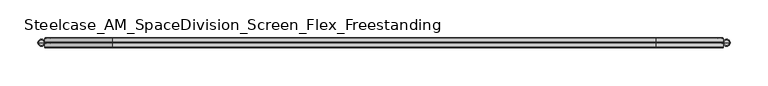
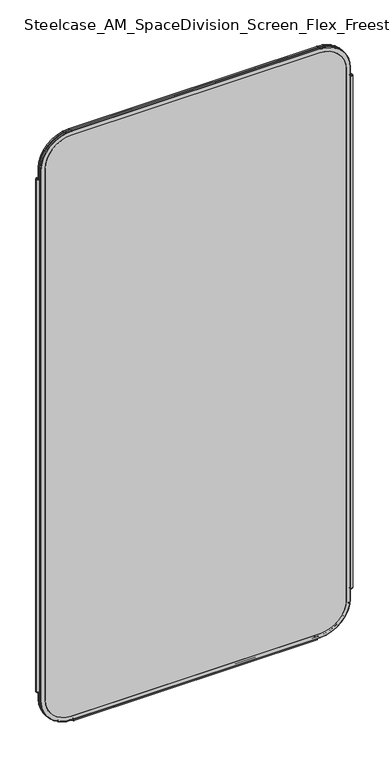
"""IFC4 building model written with IfcOpenShell, lengths in millimetres: furniture geometry, Steelcase_AM_SpaceDivision_Screen_Flex_Freestanding."""

from ifc_helpers import new_model, si_unit, point, frame, frame_2d, origin, place, context, project, spatial, polyline, circle_curve, ellipse_curve, trimmed, segment, composite_curve, outline, extrude, source, transform, mapped, element, save
from ifc_brep_helpers import plane_surface, cylinder_surface, revolved_surface, advanced_brep


def steelcase_am_spacedivision_screen_flex_freestanding_69d37450(model_context):
    return source(origin(), model_context, "Body", "SolidModel", [
        advanced_brep(
        [(913.13, 0.0, 1687.83), (906.5294661, 0.0, 1687.83), (909.829733, 0.0, 1687.83), (914.4, 0.0, 1686.56), (905.2594661, 0.0, 1686.56), (914.4, 0.0, 121.92), (905.2594661, 0.0, 121.92), (913.13, 0.0, 120.65), (906.5294661, 0.0, 120.65), (909.829733, 0.0, 120.65)],
        [
            (0, 1, circle_curve(frame((909.829733, 0.0, 1687.83), z_axis=(0.0, 0.0, 1.0), x_axis=(-1.0, 0.0, 0.0)), 3.300267)),
            (1, 2),
            (2, 0),
            (1, 0, circle_curve(frame((909.829733, 0.0, 1687.83), z_axis=(0.0, 0.0, 1.0), x_axis=(-1.0, 0.0, 0.0)), 3.300267)),
            (3, 4, circle_curve(frame((909.829733, 0.0, 1686.56), z_axis=(0.0, 0.0, 1.0), x_axis=(-1.0, 0.0, 0.0)), 4.570267)),
            (4, 1, circle_curve(frame((906.5294661, 0.0, 1686.56), z_axis=(0.0, 1.0, 0.0), x_axis=(1.0, 0.0, 0.0)), 1.27)),
            (0, 3, circle_curve(frame((913.13, 0.0, 1686.56), z_axis=(0.0, 1.0, 0.0), x_axis=(-1.0, 0.0, 0.0)), 1.27)),
            (4, 3, circle_curve(frame((909.829733, 0.0, 1686.56), z_axis=(0.0, 0.0, 1.0), x_axis=(-1.0, 0.0, 0.0)), 4.570267)),
            (5, 6, circle_curve(frame((909.829733, 0.0, 121.92), z_axis=(0.0, 0.0, 1.0), x_axis=(-1.0, 0.0, 0.0)), 4.570267)),
            (6, 4),
            (3, 5),
            (6, 5, circle_curve(frame((909.829733, 0.0, 121.92), z_axis=(0.0, 0.0, 1.0), x_axis=(-1.0, 0.0, 0.0)), 4.570267)),
            (7, 8, circle_curve(frame((909.829733, 0.0, 120.65), z_axis=(0.0, 0.0, 1.0), x_axis=(-1.0, 0.0, 0.0)), 3.300267)),
            (8, 6, circle_curve(frame((906.5294661, 0.0, 121.92), z_axis=(0.0, 1.0, 0.0), x_axis=(1.0, 0.0, 0.0)), 1.27)),
            (5, 7, circle_curve(frame((913.13, 0.0, 121.92), z_axis=(0.0, 1.0, 0.0), x_axis=(-1.0, 0.0, 0.0)), 1.27)),
            (8, 7, circle_curve(frame((909.829733, 0.0, 120.65), z_axis=(0.0, 0.0, 1.0), x_axis=(-1.0, 0.0, 0.0)), 3.300267)),
            (9, 8),
            (7, 9),
        ],
        [
            plane_surface(frame((909.829733, 0.0, 1687.83), z_axis=(0.0, 0.0, 1.0), x_axis=(-1.0, 0.0, 0.0))),
            revolved_surface(trimmed(ellipse_curve(frame((906.5294661, 0.0, 1686.56), z_axis=(0.0, -1.0, 0.0), x_axis=(1.0, 0.0, 0.0)), 1.27, 1.27), [point((906.5294661, 0.0, 1687.83))], [point((905.2594661, 0.0, 1686.56))], True, "CARTESIAN"), (909.829733, 0.0, 112.3021634), (0.0, 0.0, -1.0)),
            cylinder_surface(frame((909.829733, 0.0, 112.3021634), z_axis=(0.0, 0.0, -1.0), x_axis=(-1.0, 0.0, 0.0)), 4.570267),
            revolved_surface(trimmed(ellipse_curve(frame((906.5294661, 0.0, 121.92), z_axis=(0.0, -1.0, 0.0), x_axis=(1.0, 0.0, 0.0)), 1.27, 1.27), [point((905.2594661, 0.0, 121.92))], [point((906.5294661, 0.0, 120.65))], True, "CARTESIAN"), (909.829733, 0.0, 112.3021634), (0.0, 0.0, -1.0)),
            plane_surface(frame((909.829733, 0.0, 120.65), z_axis=(0.0, 0.0, -1.0), x_axis=(-1.0, 0.0, 0.0))),
        ],
        [
            (0, [[1, 2, 3]]),
            (0, [[4, -3, -2]]),
            (1, [[5, 6, -1, 7]]),
            (1, [[8, -7, -4, -6]]),
            (2, [[9, 10, -5, 11]]),
            (2, [[12, -11, -8, -10]]),
            (3, [[13, 14, -9, 15]]),
            (3, [[16, -15, -12, -14]]),
            (4, [[17, -13, 18]]),
            (4, [[-18, -16, -17]]),
        ],
    ),
        advanced_brep(
        [(7.9329041, 0.0, 120.65), (1.232448, 0.0, 120.65), (0.0, 0.0, 121.882448), (9.1653521, 0.0, 121.882448), (4.582676, 0.0, 120.65), (7.8953521, 0.0, 1687.83), (1.27, 0.0, 1687.83), (4.582676, 0.0, 1687.83), (9.1653521, 0.0, 1686.56), (0.0, 0.0, 1686.56)],
        [
            (0, 1, circle_curve(frame((4.582676, 0.0, 120.65), z_axis=(0.0, 0.0, 1.0), x_axis=(-1.0, 0.0, 0.0)), 3.3502281)),
            (1, 2, circle_curve(frame((1.232448, 0.0, 121.882448), z_axis=(0.0, 1.0, 0.0), x_axis=(1.0, 0.0, 0.0)), 1.232448)),
            (2, 3, circle_curve(frame((4.582676, 0.0, 121.882448), z_axis=(0.0, 0.0, -1.0), x_axis=(-1.0, 0.0, 0.0)), 4.582676)),
            (3, 0, circle_curve(frame((7.9329041, 0.0, 121.882448), z_axis=(0.0, 1.0, 0.0), x_axis=(-1.0, 0.0, 0.0)), 1.232448)),
            (1, 0, circle_curve(frame((4.582676, 0.0, 120.65), z_axis=(0.0, 0.0, 1.0), x_axis=(-1.0, 0.0, 0.0)), 3.3502281)),
            (3, 2, circle_curve(frame((4.582676, 0.0, 121.882448), z_axis=(0.0, 0.0, -1.0), x_axis=(-1.0, 0.0, 0.0)), 4.582676)),
            (4, 1),
            (0, 4),
            (5, 6, circle_curve(frame((4.582676, 0.0, 1687.83), z_axis=(0.0, 0.0, 1.0), x_axis=(-1.0, 0.0, 0.0)), 3.312676)),
            (6, 7),
            (7, 5),
            (6, 5, circle_curve(frame((4.582676, 0.0, 1687.83), z_axis=(0.0, 0.0, 1.0), x_axis=(-1.0, 0.0, 0.0)), 3.312676)),
            (8, 9, circle_curve(frame((4.582676, 0.0, 1686.56), z_axis=(0.0, 0.0, 1.0), x_axis=(-1.0, 0.0, 0.0)), 4.582676)),
            (9, 6, circle_curve(frame((1.27, 0.0, 1686.56), z_axis=(0.0, 1.0, 0.0), x_axis=(1.0, 0.0, 0.0)), 1.27)),
            (5, 8, circle_curve(frame((7.8953521, 0.0, 1686.56), z_axis=(0.0, 1.0, 0.0), x_axis=(-1.0, 0.0, 0.0)), 1.27)),
            (9, 8, circle_curve(frame((4.582676, 0.0, 1686.56), z_axis=(0.0, 0.0, 1.0), x_axis=(-1.0, 0.0, 0.0)), 4.582676)),
            (2, 9),
            (8, 3),
        ],
        [
            revolved_surface(trimmed(ellipse_curve(frame((1.232448, 0.0, 121.882448), z_axis=(0.0, -1.0, 0.0), x_axis=(1.0, 0.0, 0.0)), 1.232448, 1.232448), [point((0.0, 0.0, 121.882448))], [point((1.232448, 0.0, 120.65))], True, "CARTESIAN"), (4.582676, 0.0, 110.6453157), (0.0, 0.0, -1.0)),
            plane_surface(frame((4.582676, 0.0, 120.65), z_axis=(0.0, 0.0, -1.0), x_axis=(-1.0, 0.0, 0.0))),
            plane_surface(frame((4.582676, 0.0, 1687.83), z_axis=(0.0, 0.0, 1.0), x_axis=(-1.0, 0.0, 0.0))),
            revolved_surface(trimmed(ellipse_curve(frame((1.27, 0.0, 1686.56), z_axis=(0.0, -1.0, 0.0), x_axis=(1.0, 0.0, 0.0)), 1.27, 1.27), [point((1.27, 0.0, 1687.83))], [point((0.0, 0.0, 1686.56))], True, "CARTESIAN"), (4.582676, 0.0, 110.6453157), (0.0, 0.0, -1.0)),
            cylinder_surface(frame((4.582676, 0.0, 110.6453157), z_axis=(0.0, 0.0, -1.0), x_axis=(-1.0, 0.0, 0.0)), 4.582676),
        ],
        [
            (0, [[1, 2, 3, 4]]),
            (0, [[5, -4, 6, -2]]),
            (1, [[7, -1, 8]]),
            (1, [[-8, -5, -7]]),
            (2, [[9, 10, 11]]),
            (2, [[12, -11, -10]]),
            (3, [[13, 14, -9, 15]]),
            (3, [[16, -15, -12, -14]]),
            (4, [[-3, 17, -13, 18]]),
            (4, [[-6, -18, -16, -17]]),
        ],
    ),
        extrude(outline(composite_curve([segment(trimmed(circle_curve(frame_2d((3.5, 2.4751953)), 2.5), [point((3.5, 4.9751953))], [point((1.4656663, 1.0220998))], False, "CARTESIAN"), True, "CONTINUOUS"), segment(trimmed(circle_curve(frame_2d((0.0, -0.0248047)), 1.8011626), [point((1.4656663, 1.0220998))], [point((-1.4656663, 1.0220998))], True, "CARTESIAN"), True, "CONTINUOUS"), segment(trimmed(circle_curve(frame_2d((-3.5, 2.4751953)), 2.5), [point((-1.4656663, 1.0220998))], [point((-3.5, 4.9751953))], False, "CARTESIAN"), True, "CONTINUOUS"), segment(trimmed(circle_curve(frame_2d((-3.5, 4.4751953)), 0.5), [point((-3.5, 4.9751953))], [point((-3.5, 3.9751953))], False, "CARTESIAN"), True, "CONTINUOUS"), segment(trimmed(circle_curve(frame_2d((-3.5, 2.4751953)), 1.5), [point((-3.5, 3.9751953))], [point((-2.3025096, 1.5718589))], True, "CARTESIAN"), True, "CONTINUOUS"), segment(trimmed(circle_curve(frame_2d((-10.3325937, 7.629417)), 10.0586411), [point((-2.3025096, 1.5718589))], [point((-0.714976, 4.6836248))], True, "CARTESIAN"), True, "CONTINUOUS"), segment(trimmed(circle_curve(frame_2d((0.0, 4.4646339)), 0.7477618), [point((-0.714976, 4.6836248))], [point((0.714976, 4.6836248))], False, "CARTESIAN"), True, "CONTINUOUS"), segment(trimmed(circle_curve(frame_2d((10.3325937, 7.629417)), 10.0586411), [point((0.714976, 4.6836248))], [point((2.3025096, 1.5718589))], True, "CARTESIAN"), True, "CONTINUOUS"), segment(trimmed(circle_curve(frame_2d((3.5, 2.4751953)), 1.5), [point((2.3025096, 1.5718589))], [point((3.5, 3.9751953))], True, "CARTESIAN"), True, "CONTINUOUS"), segment(trimmed(circle_curve(frame_2d((3.5, 4.4751953)), 0.5), [point((3.5, 3.9751953))], [point((3.5, 4.9751953))], False, "CARTESIAN"), True, "CONTINUOUS")], self_intersect=False)), frame((104.1640108, 0.0, 0.0), z_axis=(1.0, 0.0, 0.0), x_axis=(0.0, 1.0, 0.0)), (0.0, 0.0, 1.0), 706.0719784),
        extrude(outline(composite_curve([segment(trimmed(circle_curve(frame_2d((1714.5, 816.3594661)), 76.2), [point((1714.5, 892.5594661))], [point((1790.7, 816.3594661))], False, "CARTESIAN"), True, "CONTINUOUS"), segment(polyline([(1790.7, 816.3594661), (1790.7, 98.0653521)]), True, "CONTINUOUS"), segment(trimmed(circle_curve(frame_2d((1714.5, 98.0653521)), 76.2), [point((1790.7, 98.0653521))], [point((1714.5, 21.8653521))], False, "CARTESIAN"), True, "CONTINUOUS"), segment(polyline([(1714.5, 21.8653521), (93.8996464, 21.8653521)]), True, "CONTINUOUS"), segment(trimmed(circle_curve(frame_2d((93.8996464, 98.0653521)), 76.2), [point((93.8996464, 21.8653521))], [point((17.6996464, 98.0653521))], False, "CARTESIAN"), True, "CONTINUOUS"), segment(polyline([(17.6996464, 98.0653521), (17.6996464, 816.3594661)]), True, "CONTINUOUS"), segment(trimmed(circle_curve(frame_2d((93.8996464, 816.3594661)), 76.2), [point((17.6996464, 816.3594661))], [point((93.8996464, 892.5594661))], False, "CARTESIAN"), True, "CONTINUOUS"), segment(polyline([(93.8996464, 892.5594661), (1714.5, 892.5594661)]), True, "CONTINUOUS")], self_intersect=False)), frame((0.0, -6.477, 0.0), z_axis=(0.0, 1.0, 0.0), x_axis=(0.0, 0.0, 1.0)), (0.0, 0.0, 1.0), 12.954),
        advanced_brep(
        [(98.0653521, -6.477, 1790.7), (21.8653521, -6.477, 1714.5), (21.8653521, 6.477, 1714.5), (98.0653521, 6.477, 1790.7), (98.0653521, -5.715, 1803.4), (9.1653521, -5.715, 1714.5), (9.9273521, -6.477, 1714.5), (98.0653521, -6.477, 1802.638), (98.0653521, -0.8129491, 1803.4), (9.1653521, -0.8129491, 1714.5), (98.0653521, 0.0, 1802.8093579), (9.7559942, 0.0, 1714.5), (98.0653521, 0.8129491, 1803.4), (9.1653521, 0.8129491, 1714.5), (98.0653521, 5.715, 1803.4), (9.1653521, 5.715, 1714.5), (98.0653521, 6.477, 1802.638), (9.9273521, 6.477, 1714.5), (816.3594661, 6.477, 1790.7), (816.3594661, -6.477, 1790.7), (816.3594661, -6.477, 1802.638), (816.3594661, -5.715, 1803.4), (816.3594661, -0.8129491, 1803.4), (816.3594661, 0.0, 1802.8093579), (816.3594661, 0.8129491, 1803.4), (816.3594661, 5.715, 1803.4), (816.3594661, 6.477, 1802.638), (892.5594661, -6.477, 1714.5), (892.5594661, 6.477, 1714.5), (905.2594661, -5.715, 1714.5), (904.4974661, -6.477, 1714.5), (905.2594661, -0.8129491, 1714.5), (904.6688239, 0.0, 1714.5), (905.2594661, 0.8129491, 1714.5), (905.2594661, 5.715, 1714.5), (904.4974661, 6.477, 1714.5), (892.5594661, 6.477, 93.8996464), (892.5594661, -6.477, 93.8996464), (904.4974661, -6.477, 93.8996464), (905.2594661, -5.715, 93.8996464), (905.2594661, -0.8129491, 93.8996464), (904.6688239, 0.0, 93.8996464), (905.2594661, 0.8129491, 93.8996464), (905.2594661, 5.715, 93.8996464), (904.4974661, 6.477, 93.8996464), (816.3594661, -6.477, 17.6996464), (816.3594661, 6.477, 17.6996464), (816.3594661, -5.715, 4.9996464), (816.3594661, -6.477, 5.7616464), (816.3594661, -0.8129491, 4.9996464), (816.3594661, 0.0, 5.5902885), (816.3594661, 0.8129491, 4.9996464), (816.3594661, 5.715, 4.9996464), (816.3594661, 6.477, 5.7616464), (98.0653521, 6.477, 17.6996464), (98.0653521, -6.477, 17.6996464), (98.0653521, -6.477, 5.7616464), (98.0653521, -5.715, 4.9996464), (98.0653521, -0.8129491, 4.9996464), (98.0653521, 0.0, 5.5902885), (98.0653521, 0.8129491, 4.9996464), (98.0653521, 5.715, 4.9996464), (98.0653521, 6.477, 5.7616464), (21.8653521, -6.477, 93.8996464), (21.8653521, 6.477, 93.8996464), (9.1653521, -5.715, 93.8996464), (9.9273521, -6.477, 93.8996464), (9.1653521, -0.8129491, 93.8996464), (9.7559942, 0.0, 93.8996464), (9.1653521, 0.8129491, 93.8996464), (9.1653521, 5.715, 93.8996464), (9.9273521, 6.477, 93.8996464)],
        [
            (0, 1, circle_curve(frame((98.0653521, -6.477, 1714.5), z_axis=(0.0, -1.0, 0.0), x_axis=(-1.0, 0.0, 0.0)), 76.2)),
            (1, 2),
            (2, 3, circle_curve(frame((98.0653521, 6.477, 1714.5), z_axis=(0.0, 1.0, 0.0), x_axis=(-1.0, 0.0, 0.0)), 76.2)),
            (3, 0),
            (4, 5, circle_curve(frame((98.0653521, -5.715, 1714.5), z_axis=(0.0, -1.0, 0.0), x_axis=(-1.0, 0.0, 0.0)), 88.9)),
            (5, 6, circle_curve(frame((9.9273521, -5.715, 1714.5), z_axis=(0.0, 0.0, 1.0), x_axis=(-1.0, 0.0, 0.0)), 0.762)),
            (6, 7, circle_curve(frame((98.0653521, -6.477, 1714.5), z_axis=(0.0, 1.0, 0.0), x_axis=(-1.0, 0.0, 0.0)), 88.138)),
            (7, 4, circle_curve(frame((98.0653521, -5.715, 1802.638), z_axis=(-1.0, 0.0, 0.0), x_axis=(0.0, 0.0, 1.0)), 0.762)),
            (8, 9, circle_curve(frame((98.0653521, -0.8129491, 1714.5), z_axis=(0.0, -1.0, 0.0), x_axis=(-1.0, 0.0, 0.0)), 88.9)),
            (9, 5),
            (4, 8),
            (10, 11, circle_curve(frame((98.0653521, 0.0, 1714.5), z_axis=(0.0, -1.0, 0.0), x_axis=(-1.0, 0.0, 0.0)), 88.3093579)),
            (11, 9, circle_curve(frame((10.0201374, -0.8129491, 1714.5), z_axis=(0.0, 0.0, 1.0), x_axis=(-1.0, 0.0, 0.0)), 0.8547853)),
            (8, 10, circle_curve(frame((98.0653521, -0.8129491, 1802.5452147), z_axis=(-1.0, 0.0, 0.0), x_axis=(0.0, 0.0, 1.0)), 0.8547853)),
            (12, 13, circle_curve(frame((98.0653521, 0.8129491, 1714.5), z_axis=(0.0, -1.0, 0.0), x_axis=(-1.0, 0.0, 0.0)), 88.9)),
            (13, 11, circle_curve(frame((10.0201374, 0.8129491, 1714.5), z_axis=(0.0, 0.0, 1.0), x_axis=(-1.0, 0.0, 0.0)), 0.8547853)),
            (10, 12, circle_curve(frame((98.0653521, 0.8129491, 1802.5452147), z_axis=(-1.0, 0.0, 0.0), x_axis=(0.0, 0.0, 1.0)), 0.8547853)),
            (14, 15, circle_curve(frame((98.0653521, 5.715, 1714.5), z_axis=(0.0, -1.0, 0.0), x_axis=(-1.0, 0.0, 0.0)), 88.9)),
            (15, 13),
            (12, 14),
            (16, 17, circle_curve(frame((98.0653521, 6.477, 1714.5), z_axis=(0.0, -1.0, 0.0), x_axis=(-1.0, 0.0, 0.0)), 88.138)),
            (17, 15, circle_curve(frame((9.9273521, 5.715, 1714.5), z_axis=(0.0, 0.0, 1.0), x_axis=(-1.0, 0.0, 0.0)), 0.762)),
            (14, 16, circle_curve(frame((98.0653521, 5.715, 1802.638), z_axis=(-1.0, 0.0, 0.0), x_axis=(0.0, 0.0, 1.0)), 0.762)),
            (3, 18),
            (18, 19),
            (19, 0),
            (7, 20),
            (20, 21, circle_curve(frame((816.3594661, -5.715, 1802.638), z_axis=(-1.0, 0.0, 0.0), x_axis=(0.0, 0.0, 1.0)), 0.762)),
            (21, 4),
            (21, 22),
            (22, 8),
            (22, 23, circle_curve(frame((816.3594661, -0.8129491, 1802.5452147), z_axis=(-1.0, 0.0, 0.0), x_axis=(0.0, 0.0, 1.0)), 0.8547853)),
            (23, 10),
            (23, 24, circle_curve(frame((816.3594661, 0.8129491, 1802.5452147), z_axis=(-1.0, 0.0, 0.0), x_axis=(0.0, 0.0, 1.0)), 0.8547853)),
            (24, 12),
            (24, 25),
            (25, 14),
            (25, 26, circle_curve(frame((816.3594661, 5.715, 1802.638), z_axis=(-1.0, 0.0, 0.0), x_axis=(0.0, 0.0, 1.0)), 0.762)),
            (26, 16),
            (27, 19, circle_curve(frame((816.3594661, -6.477, 1714.5), z_axis=(0.0, -1.0, 0.0), x_axis=(0.0, 0.0, 1.0)), 76.2)),
            (18, 28, circle_curve(frame((816.3594661, 6.477, 1714.5), z_axis=(0.0, 1.0, 0.0), x_axis=(0.0, 0.0, 1.0)), 76.2)),
            (28, 27),
            (29, 21, circle_curve(frame((816.3594661, -5.715, 1714.5), z_axis=(0.0, -1.0, 0.0), x_axis=(0.0, 0.0, 1.0)), 88.9)),
            (20, 30, circle_curve(frame((816.3594661, -6.477, 1714.5), z_axis=(0.0, 1.0, 0.0), x_axis=(0.0, 0.0, 1.0)), 88.138)),
            (30, 29, circle_curve(frame((904.4974661, -5.715, 1714.5), z_axis=(0.0, 0.0, 1.0), x_axis=(1.0, 0.0, 0.0)), 0.762)),
            (31, 22, circle_curve(frame((816.3594661, -0.8129491, 1714.5), z_axis=(0.0, -1.0, 0.0), x_axis=(0.0, 0.0, 1.0)), 88.9)),
            (29, 31),
            (32, 23, circle_curve(frame((816.3594661, 0.0, 1714.5), z_axis=(0.0, -1.0, 0.0), x_axis=(0.0, 0.0, 1.0)), 88.3093579)),
            (31, 32, circle_curve(frame((904.4046808, -0.8129491, 1714.5), z_axis=(0.0, 0.0, 1.0), x_axis=(1.0, 0.0, 0.0)), 0.8547853)),
            (33, 24, circle_curve(frame((816.3594661, 0.8129491, 1714.5), z_axis=(0.0, -1.0, 0.0), x_axis=(0.0, 0.0, 1.0)), 88.9)),
            (32, 33, circle_curve(frame((904.4046808, 0.8129491, 1714.5), z_axis=(0.0, 0.0, 1.0), x_axis=(1.0, 0.0, 0.0)), 0.8547853)),
            (34, 25, circle_curve(frame((816.3594661, 5.715, 1714.5), z_axis=(0.0, -1.0, 0.0), x_axis=(0.0, 0.0, 1.0)), 88.9)),
            (33, 34),
            (35, 26, circle_curve(frame((816.3594661, 6.477, 1714.5), z_axis=(0.0, -1.0, 0.0), x_axis=(0.0, 0.0, 1.0)), 88.138)),
            (34, 35, circle_curve(frame((904.4974661, 5.715, 1714.5), z_axis=(0.0, 0.0, 1.0), x_axis=(1.0, 0.0, 0.0)), 0.762)),
            (28, 36),
            (36, 37),
            (37, 27),
            (30, 38),
            (38, 39, circle_curve(frame((904.4974661, -5.715, 93.8996464), z_axis=(0.0, 0.0, 1.0), x_axis=(1.0, 0.0, 0.0)), 0.762)),
            (39, 29),
            (39, 40),
            (40, 31),
            (40, 41, circle_curve(frame((904.4046808, -0.8129491, 93.8996464), z_axis=(0.0, 0.0, 1.0), x_axis=(1.0, 0.0, 0.0)), 0.8547853)),
            (41, 32),
            (41, 42, circle_curve(frame((904.4046808, 0.8129491, 93.8996464), z_axis=(0.0, 0.0, 1.0), x_axis=(1.0, 0.0, 0.0)), 0.8547853)),
            (42, 33),
            (42, 43),
            (43, 34),
            (43, 44, circle_curve(frame((904.4974661, 5.715, 93.8996464), z_axis=(0.0, 0.0, 1.0), x_axis=(1.0, 0.0, 0.0)), 0.762)),
            (44, 35),
            (45, 37, circle_curve(frame((816.3594661, -6.477, 93.8996464), z_axis=(0.0, -1.0, 0.0), x_axis=(1.0, 0.0, 0.0)), 76.2)),
            (36, 46, circle_curve(frame((816.3594661, 6.477, 93.8996464), z_axis=(0.0, 1.0, 0.0), x_axis=(1.0, 0.0, 0.0)), 76.2)),
            (46, 45),
            (47, 39, circle_curve(frame((816.3594661, -5.715, 93.8996464), z_axis=(0.0, -1.0, 0.0), x_axis=(1.0, 0.0, 0.0)), 88.9)),
            (38, 48, circle_curve(frame((816.3594661, -6.477, 93.8996464), z_axis=(0.0, 1.0, 0.0), x_axis=(1.0, 0.0, 0.0)), 88.138)),
            (48, 47, circle_curve(frame((816.3594661, -5.715, 5.7616464), z_axis=(1.0, 0.0, 0.0), x_axis=(0.0, 0.0, -1.0)), 0.762)),
            (49, 40, circle_curve(frame((816.3594661, -0.8129491, 93.8996464), z_axis=(0.0, -1.0, 0.0), x_axis=(1.0, 0.0, 0.0)), 88.9)),
            (47, 49),
            (50, 41, circle_curve(frame((816.3594661, 0.0, 93.8996464), z_axis=(0.0, -1.0, 0.0), x_axis=(1.0, 0.0, 0.0)), 88.3093579)),
            (49, 50, circle_curve(frame((816.3594661, -0.8129491, 5.8544317), z_axis=(1.0, 0.0, 0.0), x_axis=(0.0, 0.0, -1.0)), 0.8547853)),
            (51, 42, circle_curve(frame((816.3594661, 0.8129491, 93.8996464), z_axis=(0.0, -1.0, 0.0), x_axis=(1.0, 0.0, 0.0)), 88.9)),
            (50, 51, circle_curve(frame((816.3594661, 0.8129491, 5.8544317), z_axis=(1.0, 0.0, 0.0), x_axis=(0.0, 0.0, -1.0)), 0.8547853)),
            (52, 43, circle_curve(frame((816.3594661, 5.715, 93.8996464), z_axis=(0.0, -1.0, 0.0), x_axis=(1.0, 0.0, 0.0)), 88.9)),
            (51, 52),
            (53, 44, circle_curve(frame((816.3594661, 6.477, 93.8996464), z_axis=(0.0, -1.0, 0.0), x_axis=(1.0, 0.0, 0.0)), 88.138)),
            (52, 53, circle_curve(frame((816.3594661, 5.715, 5.7616464), z_axis=(1.0, 0.0, 0.0), x_axis=(0.0, 0.0, -1.0)), 0.762)),
            (46, 54),
            (54, 55),
            (55, 45),
            (48, 56),
            (56, 57, circle_curve(frame((98.0653521, -5.715, 5.7616464), z_axis=(1.0, 0.0, 0.0), x_axis=(0.0, 0.0, -1.0)), 0.762)),
            (57, 47),
            (57, 58),
            (58, 49),
            (58, 59, circle_curve(frame((98.0653521, -0.8129491, 5.8544317), z_axis=(1.0, 0.0, 0.0), x_axis=(0.0, 0.0, -1.0)), 0.8547853)),
            (59, 50),
            (59, 60, circle_curve(frame((98.0653521, 0.8129491, 5.8544317), z_axis=(1.0, 0.0, 0.0), x_axis=(0.0, 0.0, -1.0)), 0.8547853)),
            (60, 51),
            (60, 61),
            (61, 52),
            (61, 62, circle_curve(frame((98.0653521, 5.715, 5.7616464), z_axis=(1.0, 0.0, 0.0), x_axis=(0.0, 0.0, -1.0)), 0.762)),
            (62, 53),
            (63, 55, circle_curve(frame((98.0653521, -6.477, 93.8996464), z_axis=(0.0, -1.0, 0.0), x_axis=(0.0, 0.0, -1.0)), 76.2)),
            (54, 64, circle_curve(frame((98.0653521, 6.477, 93.8996464), z_axis=(0.0, 1.0, 0.0), x_axis=(0.0, 0.0, -1.0)), 76.2)),
            (64, 63),
            (65, 57, circle_curve(frame((98.0653521, -5.715, 93.8996464), z_axis=(0.0, -1.0, 0.0), x_axis=(0.0, 0.0, -1.0)), 88.9)),
            (56, 66, circle_curve(frame((98.0653521, -6.477, 93.8996464), z_axis=(0.0, 1.0, 0.0), x_axis=(0.0, 0.0, -1.0)), 88.138)),
            (66, 65, circle_curve(frame((9.9273521, -5.715, 93.8996464), z_axis=(0.0, 0.0, -1.0), x_axis=(-1.0, 0.0, 0.0)), 0.762)),
            (67, 58, circle_curve(frame((98.0653521, -0.8129491, 93.8996464), z_axis=(0.0, -1.0, 0.0), x_axis=(0.0, 0.0, -1.0)), 88.9)),
            (65, 67),
            (68, 59, circle_curve(frame((98.0653521, 0.0, 93.8996464), z_axis=(0.0, -1.0, 0.0), x_axis=(0.0, 0.0, -1.0)), 88.3093579)),
            (67, 68, circle_curve(frame((10.0201374, -0.8129491, 93.8996464), z_axis=(0.0, 0.0, -1.0), x_axis=(-1.0, 0.0, 0.0)), 0.8547853)),
            (69, 60, circle_curve(frame((98.0653521, 0.8129491, 93.8996464), z_axis=(0.0, -1.0, 0.0), x_axis=(0.0, 0.0, -1.0)), 88.9)),
            (68, 69, circle_curve(frame((10.0201374, 0.8129491, 93.8996464), z_axis=(0.0, 0.0, -1.0), x_axis=(-1.0, 0.0, 0.0)), 0.8547853)),
            (70, 61, circle_curve(frame((98.0653521, 5.715, 93.8996464), z_axis=(0.0, -1.0, 0.0), x_axis=(0.0, 0.0, -1.0)), 88.9)),
            (69, 70),
            (71, 62, circle_curve(frame((98.0653521, 6.477, 93.8996464), z_axis=(0.0, -1.0, 0.0), x_axis=(0.0, 0.0, -1.0)), 88.138)),
            (70, 71, circle_curve(frame((9.9273521, 5.715, 93.8996464), z_axis=(0.0, 0.0, -1.0), x_axis=(-1.0, 0.0, 0.0)), 0.762)),
            (64, 2),
            (1, 63),
            (6, 66),
            (5, 65),
            (9, 67),
            (11, 68),
            (13, 69),
            (15, 70),
            (17, 71),
        ],
        [
            revolved_surface(polyline([(21.865352099999996, 6.477, 1714.5), (21.865352099999996, -6.477, 1714.5)]), (98.0653521, 0.0, 1714.5), (0.0, 1.0, 0.0)),
            revolved_surface(trimmed(ellipse_curve(frame((9.9273521, -5.715, 1714.5), z_axis=(0.0, 0.0, -1.0), x_axis=(-1.0, 0.0, 0.0)), 0.762, 0.762), [point((9.9273521, -6.477, 1714.5))], [point((9.1653521, -5.715, 1714.5))], True, "CARTESIAN"), (98.0653521, 0.0, 1714.5), (0.0, 1.0, 0.0)),
            cylinder_surface(frame((98.0653521, 0.0, 1714.5), z_axis=(0.0, 1.0, 0.0), x_axis=(-1.0, 0.0, 0.0)), 88.9),
            revolved_surface(trimmed(ellipse_curve(frame((10.0201374, -0.8129491, 1714.5), z_axis=(0.0, 0.0, -1.0), x_axis=(-1.0, 0.0, 0.0)), 0.8547853, 0.8547853), [point((9.1653521, -0.8129491, 1714.5))], [point((9.7559942, 0.0, 1714.5))], True, "CARTESIAN"), (98.0653521, 0.0, 1714.5), (0.0, 1.0, 0.0)),
            revolved_surface(trimmed(ellipse_curve(frame((10.0201374, 0.8129491, 1714.5), z_axis=(0.0, 0.0, -1.0), x_axis=(-1.0, 0.0, 0.0)), 0.8547853, 0.8547853), [point((9.7559942, 0.0, 1714.5))], [point((9.1653521, 0.8129491, 1714.5))], True, "CARTESIAN"), (98.0653521, 0.0, 1714.5), (0.0, 1.0, 0.0)),
            revolved_surface(trimmed(ellipse_curve(frame((9.9273521, 5.715, 1714.5), z_axis=(0.0, 0.0, -1.0), x_axis=(-1.0, 0.0, 0.0)), 0.762, 0.762), [point((9.1653521, 5.715, 1714.5))], [point((9.9273521, 6.477, 1714.5))], True, "CARTESIAN"), (98.0653521, 0.0, 1714.5), (0.0, 1.0, 0.0)),
            plane_surface(frame((98.0653521, 6.477, 1790.7), z_axis=(0.0, 0.0, -1.0), x_axis=(1.0, 0.0, 0.0))),
            cylinder_surface(frame((98.0653521, -5.715, 1802.638), z_axis=(-1.0, 0.0, 0.0), x_axis=(0.0, 0.0, 1.0)), 0.762),
            plane_surface(frame((98.0653521, -5.715, 1803.4), z_axis=(0.0, 0.0, 1.0), x_axis=(1.0, 0.0, 0.0))),
            cylinder_surface(frame((98.0653521, -0.8129491, 1802.5452147), z_axis=(-1.0, 0.0, 0.0), x_axis=(0.0, 0.0, 1.0)), 0.8547853),
            cylinder_surface(frame((98.0653521, 0.8129491, 1802.5452147), z_axis=(-1.0, 0.0, 0.0), x_axis=(0.0, 0.0, 1.0)), 0.8547853),
            plane_surface(frame((98.0653521, 0.8129491, 1803.4), z_axis=(0.0, 0.0, 1.0), x_axis=(1.0, 0.0, 0.0))),
            cylinder_surface(frame((98.0653521, 5.715, 1802.638), z_axis=(-1.0, 0.0, 0.0), x_axis=(0.0, 0.0, 1.0)), 0.762),
            revolved_surface(polyline([(816.3594661, 6.477, 1790.7), (816.3594661, -6.477, 1790.7)]), (816.3594661, 0.0, 1714.5), (0.0, 1.0, 0.0)),
            revolved_surface(trimmed(ellipse_curve(frame((816.3594661, -5.715, 1802.638), z_axis=(-1.0, 0.0, 0.0), x_axis=(0.0, 0.0, 1.0)), 0.762, 0.762), [point((816.3594661, -6.477, 1802.638))], [point((816.3594661, -5.715, 1803.4))], True, "CARTESIAN"), (816.3594661, 0.0, 1714.5), (0.0, 1.0, 0.0)),
            cylinder_surface(frame((816.3594661, 0.0, 1714.5), z_axis=(0.0, 1.0, 0.0), x_axis=(0.0, 0.0, 1.0)), 88.9),
            revolved_surface(trimmed(ellipse_curve(frame((816.3594661, -0.8129491, 1802.5452147), z_axis=(-1.0, 0.0, 0.0), x_axis=(0.0, 0.0, 1.0)), 0.8547853, 0.8547853), [point((816.3594661, -0.8129491, 1803.4))], [point((816.3594661, 0.0, 1802.8093579))], True, "CARTESIAN"), (816.3594661, 0.0, 1714.5), (0.0, 1.0, 0.0)),
            revolved_surface(trimmed(ellipse_curve(frame((816.3594661, 0.8129491, 1802.5452147), z_axis=(-1.0, 0.0, 0.0), x_axis=(0.0, 0.0, 1.0)), 0.8547853, 0.8547853), [point((816.3594661, 0.0, 1802.8093579))], [point((816.3594661, 0.8129491, 1803.4))], True, "CARTESIAN"), (816.3594661, 0.0, 1714.5), (0.0, 1.0, 0.0)),
            revolved_surface(trimmed(ellipse_curve(frame((816.3594661, 5.715, 1802.638), z_axis=(-1.0, 0.0, 0.0), x_axis=(0.0, 0.0, 1.0)), 0.762, 0.762), [point((816.3594661, 5.715, 1803.4))], [point((816.3594661, 6.477, 1802.638))], True, "CARTESIAN"), (816.3594661, 0.0, 1714.5), (0.0, 1.0, 0.0)),
            plane_surface(frame((892.5594661, 6.477, 1714.5), z_axis=(-1.0, 0.0, 0.0), x_axis=(0.0, 0.0, -1.0))),
            cylinder_surface(frame((904.4974661, -5.715, 1714.5), z_axis=(0.0, 0.0, 1.0), x_axis=(1.0, 0.0, 0.0)), 0.762),
            plane_surface(frame((905.2594661, -5.715, 1714.5), z_axis=(1.0, 0.0, 0.0), x_axis=(0.0, 0.0, -1.0))),
            cylinder_surface(frame((904.4046808, -0.8129491, 1714.5), z_axis=(0.0, 0.0, 1.0), x_axis=(1.0, 0.0, 0.0)), 0.8547853),
            cylinder_surface(frame((904.4046808, 0.8129491, 1714.5), z_axis=(0.0, 0.0, 1.0), x_axis=(1.0, 0.0, 0.0)), 0.8547853),
            plane_surface(frame((905.2594661, 0.8129491, 1714.5), z_axis=(1.0, 0.0, 0.0), x_axis=(0.0, 0.0, -1.0))),
            cylinder_surface(frame((904.4974661, 5.715, 1714.5), z_axis=(0.0, 0.0, 1.0), x_axis=(1.0, 0.0, 0.0)), 0.762),
            revolved_surface(polyline([(892.5594661, 6.477, 93.8996464), (892.5594661, -6.477, 93.8996464)]), (816.3594661, 0.0, 93.8996464), (0.0, 1.0, 0.0)),
            revolved_surface(trimmed(ellipse_curve(frame((904.4974661, -5.715, 93.8996464), z_axis=(0.0, 0.0, 1.0), x_axis=(1.0, 0.0, 0.0)), 0.762, 0.762), [point((904.4974661, -6.477, 93.8996464))], [point((905.2594661, -5.715, 93.8996464))], True, "CARTESIAN"), (816.3594661, 0.0, 93.8996464), (0.0, 1.0, 0.0)),
            cylinder_surface(frame((816.3594661, 0.0, 93.8996464), z_axis=(0.0, 1.0, 0.0), x_axis=(1.0, 0.0, 0.0)), 88.9),
            revolved_surface(trimmed(ellipse_curve(frame((904.4046808, -0.8129491, 93.8996464), z_axis=(0.0, 0.0, 1.0), x_axis=(1.0, 0.0, 0.0)), 0.8547853, 0.8547853), [point((905.2594661, -0.8129491, 93.8996464))], [point((904.6688239, 0.0, 93.8996464))], True, "CARTESIAN"), (816.3594661, 0.0, 93.8996464), (0.0, 1.0, 0.0)),
            revolved_surface(trimmed(ellipse_curve(frame((904.4046808, 0.8129491, 93.8996464), z_axis=(0.0, 0.0, 1.0), x_axis=(1.0, 0.0, 0.0)), 0.8547853, 0.8547853), [point((904.6688239, 0.0, 93.8996464))], [point((905.2594661, 0.8129491, 93.8996464))], True, "CARTESIAN"), (816.3594661, 0.0, 93.8996464), (0.0, 1.0, 0.0)),
            revolved_surface(trimmed(ellipse_curve(frame((904.4974661, 5.715, 93.8996464), z_axis=(0.0, 0.0, 1.0), x_axis=(1.0, 0.0, 0.0)), 0.762, 0.762), [point((905.2594661, 5.715, 93.8996464))], [point((904.4974661, 6.477, 93.8996464))], True, "CARTESIAN"), (816.3594661, 0.0, 93.8996464), (0.0, 1.0, 0.0)),
            plane_surface(frame((816.3594661, 6.477, 17.6996464), z_axis=(0.0, 0.0, 1.0), x_axis=(-1.0, 0.0, 0.0))),
            cylinder_surface(frame((816.3594661, -5.715, 5.7616464), z_axis=(1.0, 0.0, 0.0), x_axis=(0.0, 0.0, -1.0)), 0.762),
            plane_surface(frame((816.3594661, -5.715, 4.9996464), z_axis=(0.0, 0.0, -1.0), x_axis=(-1.0, 0.0, 0.0))),
            cylinder_surface(frame((816.3594661, -0.8129491, 5.8544317), z_axis=(1.0, 0.0, 0.0), x_axis=(0.0, 0.0, -1.0)), 0.8547853),
            cylinder_surface(frame((816.3594661, 0.8129491, 5.8544317), z_axis=(1.0, 0.0, 0.0), x_axis=(0.0, 0.0, -1.0)), 0.8547853),
            plane_surface(frame((816.3594661, 0.8129491, 4.9996464), z_axis=(0.0, 0.0, -1.0), x_axis=(-1.0, 0.0, 0.0))),
            cylinder_surface(frame((816.3594661, 5.715, 5.7616464), z_axis=(1.0, 0.0, 0.0), x_axis=(0.0, 0.0, -1.0)), 0.762),
            revolved_surface(polyline([(98.0653521, 6.477, 17.699646399999992), (98.0653521, -6.477, 17.699646399999992)]), (98.0653521, 0.0, 93.8996464), (0.0, 1.0, 0.0)),
            revolved_surface(trimmed(ellipse_curve(frame((98.0653521, -5.715, 5.7616464), z_axis=(1.0, 0.0, 0.0), x_axis=(0.0, 0.0, -1.0)), 0.762, 0.762), [point((98.0653521, -6.477, 5.7616464))], [point((98.0653521, -5.715, 4.9996464))], True, "CARTESIAN"), (98.0653521, 0.0, 93.8996464), (0.0, 1.0, 0.0)),
            cylinder_surface(frame((98.0653521, 0.0, 93.8996464), z_axis=(0.0, 1.0, 0.0), x_axis=(0.0, 0.0, -1.0)), 88.9),
            revolved_surface(trimmed(ellipse_curve(frame((98.0653521, -0.8129491, 5.8544317), z_axis=(1.0, 0.0, 0.0), x_axis=(0.0, 0.0, -1.0)), 0.8547853, 0.8547853), [point((98.0653521, -0.8129491, 4.9996464))], [point((98.0653521, 0.0, 5.5902885))], True, "CARTESIAN"), (98.0653521, 0.0, 93.8996464), (0.0, 1.0, 0.0)),
            revolved_surface(trimmed(ellipse_curve(frame((98.0653521, 0.8129491, 5.8544317), z_axis=(1.0, 0.0, 0.0), x_axis=(0.0, 0.0, -1.0)), 0.8547853, 0.8547853), [point((98.0653521, 0.0, 5.5902885))], [point((98.0653521, 0.8129491, 4.9996464))], True, "CARTESIAN"), (98.0653521, 0.0, 93.8996464), (0.0, 1.0, 0.0)),
            revolved_surface(trimmed(ellipse_curve(frame((98.0653521, 5.715, 5.7616464), z_axis=(1.0, 0.0, 0.0), x_axis=(0.0, 0.0, -1.0)), 0.762, 0.762), [point((98.0653521, 5.715, 4.9996464))], [point((98.0653521, 6.477, 5.7616464))], True, "CARTESIAN"), (98.0653521, 0.0, 93.8996464), (0.0, 1.0, 0.0)),
            plane_surface(frame((21.8653521, 6.477, 93.8996464), z_axis=(1.0, 0.0, 0.0), x_axis=(0.0, 0.0, 1.0))),
            plane_surface(frame((21.8653521, -6.477, 93.8996464), z_axis=(0.0, -1.0, 0.0), x_axis=(0.0, 0.0, 1.0))),
            cylinder_surface(frame((9.9273521, -5.715, 93.8996464), z_axis=(0.0, 0.0, -1.0), x_axis=(-1.0, 0.0, 0.0)), 0.762),
            plane_surface(frame((9.1653521, -5.715, 93.8996464), z_axis=(-1.0, 0.0, 0.0), x_axis=(0.0, 0.0, 1.0))),
            cylinder_surface(frame((10.0201374, -0.8129491, 93.8996464), z_axis=(0.0, 0.0, -1.0), x_axis=(-1.0, 0.0, 0.0)), 0.8547853),
            cylinder_surface(frame((10.0201374, 0.8129491, 93.8996464), z_axis=(0.0, 0.0, -1.0), x_axis=(-1.0, 0.0, 0.0)), 0.8547853),
            plane_surface(frame((9.1653521, 0.8129491, 93.8996464), z_axis=(-1.0, 0.0, 0.0), x_axis=(0.0, 0.0, 1.0))),
            cylinder_surface(frame((9.9273521, 5.715, 93.8996464), z_axis=(0.0, 0.0, -1.0), x_axis=(-1.0, 0.0, 0.0)), 0.762),
            plane_surface(frame((9.9273521, 6.477, 93.8996464), z_axis=(0.0, 1.0, 0.0), x_axis=(0.0, 0.0, 1.0))),
        ],
        [
            (0, [[1, 2, 3, 4]]),
            (1, [[5, 6, 7, 8]]),
            (2, [[9, 10, -5, 11]]),
            (3, [[12, 13, -9, 14]]),
            (4, [[15, 16, -12, 17]]),
            (2, [[18, 19, -15, 20]]),
            (5, [[21, 22, -18, 23]]),
            (6, [[-4, 24, 25, 26]]),
            (7, [[-8, 27, 28, 29]]),
            (8, [[-11, -29, 30, 31]]),
            (9, [[-14, -31, 32, 33]]),
            (10, [[-17, -33, 34, 35]]),
            (11, [[-20, -35, 36, 37]]),
            (12, [[-23, -37, 38, 39]]),
            (13, [[40, -25, 41, 42]]),
            (14, [[43, -28, 44, 45]]),
            (15, [[46, -30, -43, 47]]),
            (16, [[48, -32, -46, 49]]),
            (17, [[50, -34, -48, 51]]),
            (15, [[52, -36, -50, 53]]),
            (18, [[54, -38, -52, 55]]),
            (19, [[-42, 56, 57, 58]]),
            (20, [[-45, 59, 60, 61]]),
            (21, [[-47, -61, 62, 63]]),
            (22, [[-49, -63, 64, 65]]),
            (23, [[-51, -65, 66, 67]]),
            (24, [[-53, -67, 68, 69]]),
            (25, [[-55, -69, 70, 71]]),
            (26, [[72, -57, 73, 74]]),
            (27, [[75, -60, 76, 77]]),
            (28, [[78, -62, -75, 79]]),
            (29, [[80, -64, -78, 81]]),
            (30, [[82, -66, -80, 83]]),
            (28, [[84, -68, -82, 85]]),
            (31, [[86, -70, -84, 87]]),
            (32, [[-74, 88, 89, 90]]),
            (33, [[-77, 91, 92, 93]]),
            (34, [[-79, -93, 94, 95]]),
            (35, [[-81, -95, 96, 97]]),
            (36, [[-83, -97, 98, 99]]),
            (37, [[-85, -99, 100, 101]]),
            (38, [[-87, -101, 102, 103]]),
            (39, [[104, -89, 105, 106]]),
            (40, [[107, -92, 108, 109]]),
            (41, [[110, -94, -107, 111]]),
            (42, [[112, -96, -110, 113]]),
            (43, [[114, -98, -112, 115]]),
            (41, [[116, -100, -114, 117]]),
            (44, [[118, -102, -116, 119]]),
            (45, [[-106, 120, -2, 121]]),
            (46, [[122, -108, -91, -76, -59, -44, -27, -7], [-90, -104, -121, -1, -26, -40, -58, -72]]),
            (47, [[-109, -122, -6, 123]]),
            (48, [[-111, -123, -10, 124]]),
            (49, [[-113, -124, -13, 125]]),
            (50, [[-115, -125, -16, 126]]),
            (51, [[-117, -126, -19, 127]]),
            (52, [[-119, -127, -22, 128]]),
            (53, [[-103, -118, -128, -21, -39, -54, -71, -86], [-120, -105, -88, -73, -56, -41, -24, -3]]),
        ],
    ),
    ])


if __name__ == "__main__":
    model = new_model("IFC4")
    model_context = context("Model", 3, world=origin())
    ifc_project = project(units=[si_unit("LENGTHUNIT", "METRE", prefix="MILLI")], contexts=[model_context])
    site = spatial("IfcSite", under=ifc_project)
    building = spatial("IfcBuilding", under=site)
    placement = place(None, origin())
    steelcase_am_spacedivision_screen_flex_freestanding_shape = steelcase_am_spacedivision_screen_flex_freestanding_69d37450(model_context)
    element("IfcFurniture", 1, ObjectType="Steelcase_AM_SpaceDivision_Screen_Flex_Freestanding", at=placement, inside=building, context=model_context, shape_type="MappedRepresentation", body=[
        mapped(steelcase_am_spacedivision_screen_flex_freestanding_shape, transform((0.0, 0.0, 0.0), x_axis=(1.0, 0.0, 0.0), y_axis=(0.0, 1.0, 0.0), z_axis=(0.0, 0.0, 1.0))),
    ])
    save(model, "model.ifc")
